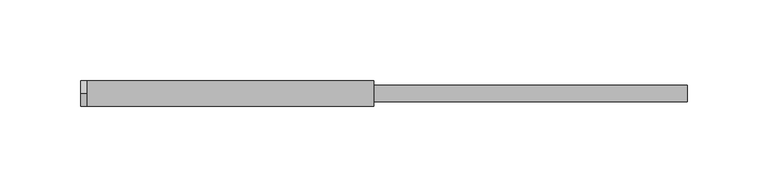
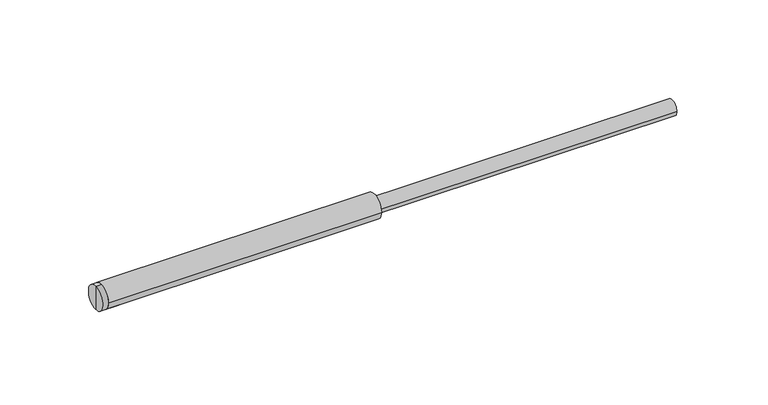
"""IFC4 building model written with IfcOpenShell, lengths in millimetres: fastener geometry."""

from ifc_helpers import new_model, si_unit, point, frame, frame_2d, origin, place, context, project, spatial, polyline, circle_curve, trimmed, segment, composite_curve, outline, extrude, source, transform, mapped, element, save
from ifc_brep_helpers import plane_surface, cylinder_surface, revolved_surface, advanced_brep


def fastener_f5dacb74(model_context):
    return source(origin(), model_context, "Body", "SolidModel", [
        extrude(outline(composite_curve([segment(trimmed(circle_curve(frame_2d((0.0, -20.15625)), 5.0), [point((-5.0, -20.15625))], [point((5.0, -20.15625))], False, "CARTESIAN"), True, "CONTINUOUS"), segment(trimmed(circle_curve(frame_2d((0.0, -20.15625)), 5.0), [point((5.0, -20.15625))], [point((-5.0, -20.15625))], False, "CARTESIAN"), True, "CONTINUOUS")], self_intersect=False)), frame((-187.5, 0.0, 0.0), z_axis=(1.0, 0.0, 0.0), x_axis=(0.0, 1.0, 0.0)), (0.0, 0.0, 1.0), 370.0),
        extrude(outline(composite_curve([segment(trimmed(circle_curve(frame_2d((0.0, -20.0)), 8.0), [point((-8.0, -20.0))], [point((8.0, -20.0))], False, "CARTESIAN"), True, "CONTINUOUS"), segment(trimmed(circle_curve(frame_2d((0.0, -20.0)), 8.0), [point((8.0, -20.0))], [point((-8.0, -20.0))], False, "CARTESIAN"), True, "CONTINUOUS")], self_intersect=False), holes=[composite_curve([segment(trimmed(circle_curve(frame_2d((0.0, -20.0)), 6.0), [point((-6.0, -20.0))], [point((6.0, -20.0))], True, "CARTESIAN"), True, "CONTINUOUS"), segment(trimmed(circle_curve(frame_2d((0.0, -20.0)), 6.0), [point((6.0, -20.0))], [point((-6.0, -20.0))], True, "CARTESIAN"), True, "CONTINUOUS")], self_intersect=False)]), frame((-190.0, 0.0, 0.0), z_axis=(1.0, 0.0, 0.0), x_axis=(0.0, 1.0, 0.0)), (0.0, 0.0, 1.0), 178.0),
        advanced_brep(
        [(-192.0, 0.0, -14.0), (-192.0, 0.0, -20.0), (-192.0, 0.0, -26.0), (-194.0, 0.0, -20.0), (-194.0, 0.0, -12.0), (-194.0, 0.0, -28.0), (-182.0, 0.0, -12.0), (-182.0, 0.0, -28.0), (-182.0, 0.0, -14.0), (-182.0, 0.0, -26.0)],
        [
            (0, 1),
            (1, 2),
            (2, 0, circle_curve(frame((-192.0, 0.0, -20.0), z_axis=(1.0, 0.0, 0.0), x_axis=(0.0, 0.0, -1.0)), 6.0)),
            (0, 2, circle_curve(frame((-192.0, 0.0, -20.0), z_axis=(1.0, 0.0, 0.0), x_axis=(0.0, 0.0, -1.0)), 6.0)),
            (3, 4),
            (4, 5, circle_curve(frame((-194.0, 0.0, -20.0), z_axis=(-1.0, 0.0, 0.0), x_axis=(0.0, 0.0, -1.0)), 8.0)),
            (5, 3),
            (5, 4, circle_curve(frame((-194.0, 0.0, -20.0), z_axis=(-1.0, 0.0, 0.0), x_axis=(0.0, 0.0, -1.0)), 8.0)),
            (4, 6),
            (6, 7, circle_curve(frame((-182.0, 0.0, -20.0), z_axis=(-1.0, 0.0, 0.0), x_axis=(0.0, 0.0, -1.0)), 8.0)),
            (7, 5),
            (7, 6, circle_curve(frame((-182.0, 0.0, -20.0), z_axis=(-1.0, 0.0, 0.0), x_axis=(0.0, 0.0, -1.0)), 8.0)),
            (6, 8),
            (8, 9, circle_curve(frame((-182.0, 0.0, -20.0), z_axis=(-1.0, 0.0, 0.0), x_axis=(0.0, 0.0, -1.0)), 6.0)),
            (9, 7),
            (9, 8, circle_curve(frame((-182.0, 0.0, -20.0), z_axis=(-1.0, 0.0, 0.0), x_axis=(0.0, 0.0, -1.0)), 6.0)),
            (8, 0),
            (2, 9),
        ],
        [
            plane_surface(frame((-192.0, 0.0, -20.0), z_axis=(1.0, 0.0, 0.0), x_axis=(0.0, 0.0, -1.0))),
            plane_surface(frame((-194.0, 0.0, -20.0), z_axis=(-1.0, 0.0, 0.0), x_axis=(0.0, 0.0, -1.0))),
            cylinder_surface(frame((-187.0, 0.0, -20.0), z_axis=(-1.0, 0.0, 0.0), x_axis=(0.0, 0.0, -1.0)), 8.0),
            plane_surface(frame((-182.0, 0.0, -20.0), z_axis=(1.0, 0.0, 0.0), x_axis=(0.0, 0.0, -1.0))),
            revolved_surface(polyline([(-192.0, 0.0, -26.0), (-182.0, 0.0, -26.0)]), (-187.0, 0.0, -20.0), (-1.0, 0.0, 0.0)),
        ],
        [
            (0, [[1, 2, 3]]),
            (0, [[-2, -1, 4]]),
            (1, [[5, 6, 7]]),
            (1, [[-7, 8, -5]]),
            (2, [[9, 10, 11, -6]]),
            (2, [[-11, 12, -9, -8]]),
            (3, [[13, 14, 15, -10]]),
            (3, [[-15, 16, -13, -12]]),
            (4, [[17, -3, 18, -14]]),
            (4, [[-18, -4, -17, -16]]),
        ],
    ),
    ])


if __name__ == "__main__":
    model = new_model("IFC4")
    model_context = context("Model", 3, world=origin())
    ifc_project = project(units=[si_unit("LENGTHUNIT", "METRE", prefix="MILLI")], contexts=[model_context])
    site = spatial("IfcSite", under=ifc_project)
    building = spatial("IfcBuilding", under=site)
    placement = place(None, origin())
    fastener_shape = fastener_f5dacb74(model_context)
    element("IfcFastener", 1, at=placement, inside=building, context=model_context, shape_type="MappedRepresentation", body=[
        mapped(fastener_shape, transform((0.0, 0.0, 0.0), x_axis=(1.0, 0.0, 0.0), y_axis=(0.0, 1.0, 0.0), z_axis=(0.0, 0.0, 1.0))),
    ])
    save(model, "model.ifc")
